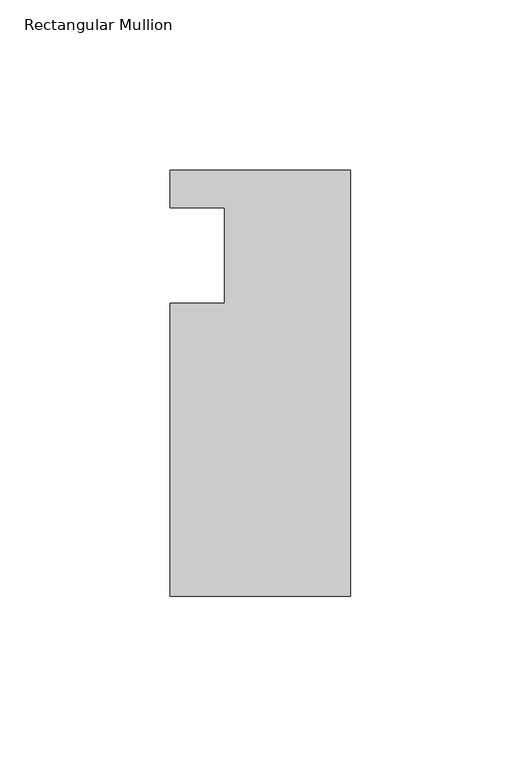
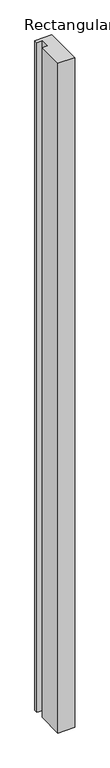
"""IFC4 building model written with IfcOpenShell, lengths in millimetres: member geometry, Rectangular Mullion."""

from ifc_helpers import new_model, si_unit, frame, origin, place, context, project, spatial, polyline, outline, extrude, source, transform, mapped, element, save


def rectangular_mullion_f4ad1b3a(model_context):
    return source(origin(), model_context, "Body", "SweptSolid", [
        extrude(outline(polyline([(0.0, 25.0), (0.0, -100.0), (-53.0, -100.0), (-53.0, -13.9998907), (-37.0, -13.9998907), (-37.0, 14.0), (-53.0, 14.0), (-53.0, 25.0), (0.0, 25.0)])), frame((0.0, 0.0, -2216.0199255), z_axis=(0.0, 0.0, 1.0), x_axis=(1.0, 0.0, 0.0)), (0.0, 0.0, 1.0), 2216.0199255),
    ])


if __name__ == "__main__":
    model = new_model("IFC4")
    model_context = context("Model", 3, world=origin())
    ifc_project = project(units=[si_unit("LENGTHUNIT", "METRE", prefix="MILLI")], contexts=[model_context])
    site = spatial("IfcSite", under=ifc_project)
    building = spatial("IfcBuilding", under=site)
    placement = place(None, origin())
    rectangular_mullion_shape = rectangular_mullion_f4ad1b3a(model_context)
    element("IfcMember", 1, ObjectType="Rectangular Mullion", at=placement, inside=building, context=model_context, shape_type="MappedRepresentation", body=[
        mapped(rectangular_mullion_shape, transform((0.0, 0.0, 0.0), x_axis=(1.0, 0.0, 0.0), y_axis=(0.0, 1.0, 0.0), z_axis=(0.0, 0.0, 1.0))),
    ])
    save(model, "model.ifc")
